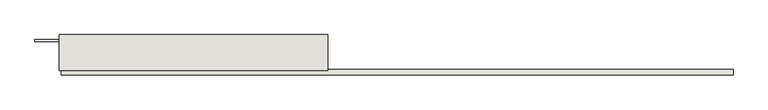
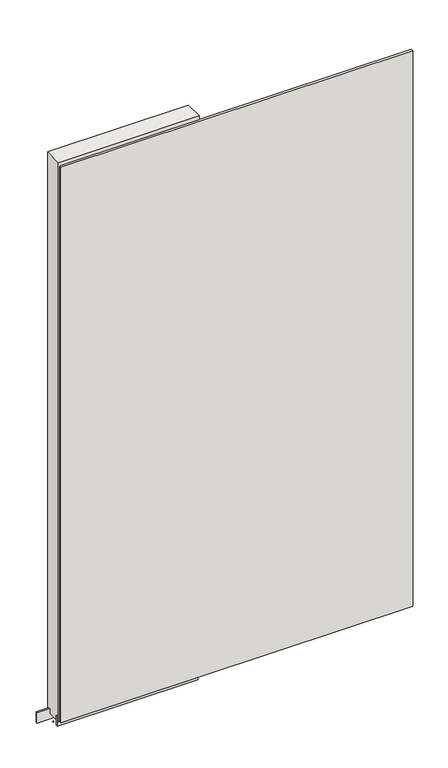
"""IFC4 building model written with IfcOpenShell, lengths in millimetres: wall geometry."""

import ifcopenshell
import ifcopenshell.guid

model = None  # the IFC model being written
_history = None  # IfcOwnerHistory: only IFC2X3 demands one
_inside = {}  # id of a spatial element -> (the spatial element, [elements in it])
_under = {}  # id of a project, library or spatial element -> (it, [spatial elements below it])
_declared = {}  # id of a project -> (the project, [libraries it declares])
_typed = {}  # id of a type object -> (the type object, [elements of that type])
_made_of = {}  # id of a material, layer set ... -> (it, [elements and type objects made of it])


def new_model(schema):
    """Start an empty IFC model of exactly this schema.

    Asked for "IFC4X3", IfcOpenShell would pick the latest addendum, in which some entities
    have other attributes; the version numbers below select the first issue.
    IFC2X3 requires an IfcOwnerHistory on every rooted entity: one is made here for all.
    """
    global model, _history
    if schema == "IFC4X3":
        model = ifcopenshell.file(schema_version=(4, 3, 0, 0))
    else:
        model = ifcopenshell.file(schema=schema)
    _inside.clear()
    _under.clear()
    _declared.clear()
    _typed.clear()
    _made_of.clear()
    _history = None
    if model.schema == "IFC2X3":
        org = make("IfcOrganization", Name="unknown")
        user = make(
            "IfcPersonAndOrganization",
            ThePerson=make("IfcPerson", FamilyName="unknown"),
            TheOrganization=org,
        )
        app = make(
            "IfcApplication",
            ApplicationDeveloper=org,
            Version="unknown",
            ApplicationFullName="unknown",
            ApplicationIdentifier="unknown",
        )
        _history = make(
            "IfcOwnerHistory",
            OwningUser=user,
            OwningApplication=app,
            ChangeAction="ADDED",
            CreationDate=0,
        )
    return model


def make(cls, **values):
    """One entity of the class cls with the attributes given. An attribute that is None is left unset."""
    return model.create_entity(
        cls, **{name: value for name, value in values.items() if value is not None}
    )


def rooted(cls, **values):
    """An entity with a GlobalId (a new one), such as an element, a storey or a relation."""
    return make(cls, GlobalId=ifcopenshell.guid.new(), OwnerHistory=_history, **values)


def si_unit(unit_type, name, prefix=None):
    """IfcSIUnit, for example si_unit("LENGTHUNIT", "METRE", prefix="MILLI")."""
    return make("IfcSIUnit", UnitType=unit_type, Prefix=prefix, Name=name)


def assignment(units):
    """IfcUnitAssignment: the units of a project."""
    return None if units is None else make("IfcUnitAssignment", Units=units)


def point(xyz):
    """IfcCartesianPoint."""
    return None if xyz is None else make("IfcCartesianPoint", Coordinates=xyz)


def direction(xyz):
    """IfcDirection."""
    return None if xyz is None else make("IfcDirection", DirectionRatios=xyz)


def frame(location, z_axis=None, x_axis=None):
    """IfcAxis2Placement3D, a coordinate frame: its origin and axes. An axis left out is left unset."""
    return make(
        "IfcAxis2Placement3D",
        Location=point(location),
        Axis=direction(z_axis),
        RefDirection=direction(x_axis),
    )


def origin():
    """The frame at (0, 0, 0) with its axes left unset."""
    return frame((0.0, 0.0, 0.0))


def place(relative_to, where):
    """IfcLocalPlacement: puts the frame where relative to a parent placement (None: the world)."""
    return make(
        "IfcLocalPlacement", PlacementRelTo=relative_to, RelativePlacement=where
    )


def context(
    kind, dimensions, precision=None, world=None, true_north=None, identifier=None
):
    """IfcGeometricRepresentationContext, for example the 3D "Model" context."""
    return make(
        "IfcGeometricRepresentationContext",
        ContextIdentifier=identifier,
        ContextType=kind,
        CoordinateSpaceDimension=dimensions,
        Precision=precision,
        WorldCoordinateSystem=world,
        TrueNorth=true_north,
    )


def project(units=None, contexts=None):
    """IfcProject with its units and contexts."""
    return rooted(
        "IfcProject",
        Name="project",
        RepresentationContexts=contexts,
        UnitsInContext=assignment(units),
    )


def spatial(cls, under=None, at=None, **own):
    """A site, building, storey or space (cls), placed at a placement, below another one or the project."""
    s = rooted(cls, ObjectPlacement=at, **own)
    if under is not None:
        _under.setdefault(under.id(), (under, []))[1].append(s)
    return s


def polyline(points):
    """IfcPolyline through the points."""
    return make("IfcPolyline", Points=[point(p) for p in points])


def outline(outer, holes=None, kind="AREA"):
    """IfcArbitraryClosedProfileDef: a profile drawn as a closed curve; with holes, ...WithVoids."""
    if holes is None:
        return make("IfcArbitraryClosedProfileDef", ProfileType=kind, OuterCurve=outer)
    return make(
        "IfcArbitraryProfileDefWithVoids",
        ProfileType=kind,
        OuterCurve=outer,
        InnerCurves=holes,
    )


def extrude(swept, where, along, depth):
    """IfcExtrudedAreaSolid: the profile swept, set in the frame where, extruded along a direction by depth."""
    return make(
        "IfcExtrudedAreaSolid",
        SweptArea=swept,
        Position=where,
        ExtrudedDirection=direction(along),
        Depth=depth,
    )


def shape(context_of_items, identifier, shape_type, items):
    """IfcShapeRepresentation: the items that make up one representation, for example the "Body"."""
    return make(
        "IfcShapeRepresentation",
        ContextOfItems=context_of_items,
        RepresentationIdentifier=identifier,
        RepresentationType=shape_type,
        Items=items,
    )


def source(mapping_origin, context_of_items, identifier, shape_type, items):
    """IfcRepresentationMap: a shape defined once, which mapped items show again and again."""
    return make(
        "IfcRepresentationMap",
        MappingOrigin=mapping_origin,
        MappedRepresentation=shape(context_of_items, identifier, shape_type, items),
    )


def transform(
    local_origin,
    x_axis=None,
    y_axis=None,
    z_axis=None,
    scale=None,
    scale2=None,
    scale3=None,
    uniform=True,
):
    """IfcCartesianTransformationOperator3D, or its non-uniform kind. x_axis, y_axis, z_axis: its Axis1, 2, 3."""
    if uniform:
        return make(
            "IfcCartesianTransformationOperator3D",
            Axis1=direction(x_axis),
            Axis2=direction(y_axis),
            LocalOrigin=point(local_origin),
            Scale=scale,
            Axis3=direction(z_axis),
        )
    return make(
        "IfcCartesianTransformationOperator3DnonUniform",
        Axis1=direction(x_axis),
        Axis2=direction(y_axis),
        LocalOrigin=point(local_origin),
        Scale=scale,
        Axis3=direction(z_axis),
        Scale2=scale2,
        Scale3=scale3,
    )


def mapped(mapping_source, mapping_target):
    """IfcMappedItem: shows the shape of a source again, moved by a transform."""
    return make(
        "IfcMappedItem", MappingSource=mapping_source, MappingTarget=mapping_target
    )


def made_of(thing, what):
    """Note that an element or type object is made of a material, layer set ...; save() writes the relation."""
    if what is not None:
        _made_of.setdefault(what.id(), (what, []))[1].append(thing)
    return thing


def element(
    cls,
    number,
    at=None,
    inside=None,
    cuts=None,
    type_object=None,
    material=None,
    context=None,
    identifier="Body",
    shape_type=None,
    held_by="IfcProductDefinitionShape",
    body=None,
    shapes=None,
    **own,
):
    """One element of the class cls, such as IfcWall. Its Tag is "e" and its number.

    at: its placement. inside: the storey or other place that contains it. cuts: it is an
    opening in that element (IfcRelVoidsElement). A single representation is given by context,
    identifier, shape_type and body (its items); several are given by shapes. held_by: the class
    of the entity that holds the representations. save() writes the other relations.
    """
    e = rooted(cls, Tag="e%d" % number, ObjectPlacement=at, **own)
    if body is not None:
        shapes = [shape(context, identifier, shape_type, body)]
    if shapes is not None:
        e.Representation = make(held_by, Representations=shapes)
    if inside is not None:
        _inside.setdefault(inside.id(), (inside, []))[1].append(e)
    if cuts is not None:
        rooted(
            "IfcRelVoidsElement", RelatingBuildingElement=cuts, RelatedOpeningElement=e
        )
    if type_object is not None:
        _typed.setdefault(type_object.id(), (type_object, []))[1].append(e)
    return made_of(e, material)


def aggregate(whole, parts):
    """IfcRelAggregates: a whole, such as a stair, and the parts it consists of."""
    return rooted("IfcRelAggregates", RelatingObject=whole, RelatedObjects=parts)


def save(model, path):
    """Write the relations noted so far, then the file.

    IfcRelAggregates (storeys below a building ...), IfcRelContainedInSpatialStructure (elements
    in a storey), IfcRelDefinesByType, IfcRelAssociatesMaterial and IfcRelDeclares: one each for
    every whole, place, type object, material and project.
    """
    for whole, parts in _under.values():
        aggregate(whole, parts)
    for where, things in _inside.values():
        rooted(
            "IfcRelContainedInSpatialStructure",
            RelatedElements=things,
            RelatingStructure=where,
        )
    for kind, things in _typed.values():
        rooted("IfcRelDefinesByType", RelatedObjects=things, RelatingType=kind)
    for what, things in _made_of.values():
        rooted("IfcRelAssociatesMaterial", RelatedObjects=things, RelatingMaterial=what)
    for by, libraries in _declared.values():
        rooted("IfcRelDeclares", RelatingContext=by, RelatedDefinitions=libraries)
    model.write(path)


def wall_94d7a46e(model_context):
    return source(origin(), model_context, "Body", "SweptSolid", [
        extrude(outline(polyline([(70365.4674476, -39414.4636398), (70368.0074476, -39414.4636398), (70368.0074476, -39417.0036398), (70365.4674476, -39417.0036398), (70365.4674476, -39414.4636398)])), frame((0.0, 0.0, 4419.6), z_axis=(0.0, 0.0, 1.0), x_axis=(1.0, 0.0, 0.0)), (0.0, 0.0, 1.0), 2.54),
        extrude(outline(polyline([(71894.6967742, -39466.5336398), (70369.9342662, -39466.5336398), (70369.9342662, -39453.8336398), (71894.6967742, -39453.8336398), (71894.6967742, -39466.5336398)])), frame((0.0, 0.0, 4445.0), z_axis=(0.0, 0.0, 1.0), x_axis=(1.0, 0.0, 0.0)), (0.0, 0.0, 1.0), 2545.0498756),
        extrude(outline(polyline([(70365.466203, -39440.8142856), (70975.066203, -39440.8142856), (70975.066203, -39445.8961398), (70365.466203, -39445.8961398), (70365.466203, -39440.8142856)])), frame((0.0, 0.0, 4418.6602), z_axis=(0.0, 0.0, 1.0), x_axis=(1.0, 0.0, 0.0)), (0.0, 0.0, 1.0), 47.625),
        extrude(outline(polyline([(70365.466203, -39440.8142856), (70975.066203, -39440.8142856), (70975.066203, -39445.8961398), (70365.466203, -39445.8961398), (70365.466203, -39440.8142856)])), frame((0.0, 0.0, 4418.6602), z_axis=(0.0, 0.0, 1.0), x_axis=(1.0, 0.0, 0.0)), (0.0, 0.0, 1.0), 47.625),
        extrude(outline(polyline([(70975.066203, -39390.6498952), (70310.1703522, -39390.6498952), (70310.1703522, -39385.5711398), (70975.066203, -39385.5711398), (70975.066203, -39390.6498952)])), frame((0.0, 0.0, 4418.6602), z_axis=(0.0, 0.0, 1.0), x_axis=(1.0, 0.0, 0.0)), (0.0, 0.0, 1.0), 47.625),
        extrude(outline(polyline([(70975.066203, -39390.6498952), (70310.1703522, -39390.6498952), (70310.1703522, -39385.5711398), (70975.066203, -39385.5711398), (70975.066203, -39390.6498952)])), frame((0.0, 0.0, 4418.6602), z_axis=(0.0, 0.0, 1.0), x_axis=(1.0, 0.0, 0.0)), (0.0, 0.0, 1.0), 47.625),
        extrude(outline(polyline([(70365.466203, -39456.3854254), (70365.466203, -39375.10667), (70975.066203, -39375.10667), (70975.066203, -39456.3854254), (70365.466203, -39456.3854254)])), frame((0.0, 0.0, 4445.0), z_axis=(0.0, 0.0, 1.0), x_axis=(1.0, 0.0, 0.0)), (0.0, 0.0, 1.0), 2562.4536762),
    ])


if __name__ == "__main__":
    model = new_model("IFC4")
    model_context = context("Model", 3, world=origin())
    ifc_project = project(units=[si_unit("LENGTHUNIT", "METRE", prefix="MILLI")], contexts=[model_context])
    site = spatial("IfcSite", under=ifc_project)
    building = spatial("IfcBuilding", under=site)
    placement = place(None, origin())
    wall_shape = wall_94d7a46e(model_context)
    element("IfcWall", 1, at=placement, inside=building, context=model_context, shape_type="MappedRepresentation", body=[
        mapped(wall_shape, transform((0.0, 0.0, 0.0), x_axis=(1.0, 0.0, 0.0), y_axis=(0.0, 1.0, 0.0), z_axis=(0.0, 0.0, 1.0))),
    ])
    save(model, "model.ifc")
